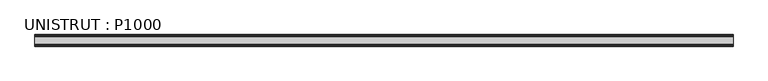
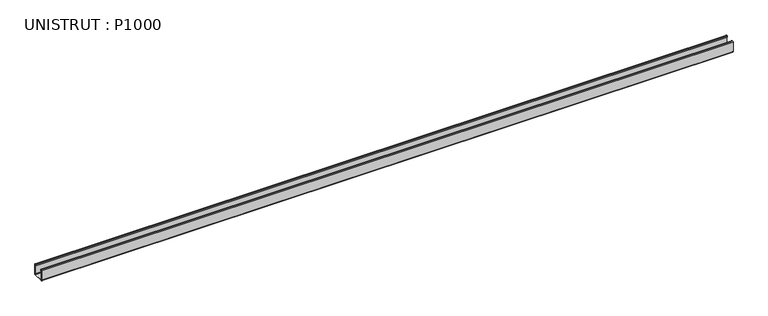
"""IFC4 building model written with IfcOpenShell, lengths in millimetres: beam geometry, UNISTRUT : P1000."""

from ifc_helpers import new_model, si_unit, point, frame, frame_2d, origin, place, context, project, spatial, polyline, circle_curve, trimmed, segment, composite_curve, outline, extrude, source, transform, mapped, element, save


def unistrut_p1000_de7f8c4b(model_context):
    return source(origin(), model_context, "Body", "SweptSolid", [
        extrude(outline(composite_curve([segment(polyline([(-20.6375, -17.4273239), (-20.6375, 18.6242894)]), True, "CONTINUOUS"), segment(trimmed(circle_curve(frame_2d((-18.6242894, 18.6242894)), 2.0132106), [point((-20.6375, 18.6242894))], [point((-18.6242894, 20.6375))], False, "CARTESIAN"), True, "CONTINUOUS"), segment(polyline([(-18.6242894, 20.6375), (-16.271875, 20.6375)]), True, "CONTINUOUS"), segment(trimmed(circle_curve(frame_2d((-16.271875, 18.653125)), 1.984375), [point((-16.271875, 20.6375))], [point((-14.2875, 18.653125))], False, "CARTESIAN"), True, "CONTINUOUS"), segment(polyline([(-14.2875, 18.653125), (-14.2875, 14.7193), (-15.1804687, 14.7193), (-15.1804687, 18.653125)]), True, "CONTINUOUS"), segment(trimmed(circle_curve(frame_2d((-16.271875, 18.653125)), 1.0914062), [point((-15.1804687, 18.653125))], [point((-16.271875, 19.7445312))], True, "CARTESIAN"), True, "CONTINUOUS"), segment(polyline([(-16.271875, 19.7445312), (-18.6242894, 19.7445312)]), True, "CONTINUOUS"), segment(trimmed(circle_curve(frame_2d((-18.6242894, 18.6242894)), 1.1202418), [point((-18.6242894, 19.7445312))], [point((-19.7445312, 18.6242894))], True, "CARTESIAN"), True, "CONTINUOUS"), segment(polyline([(-19.7445312, 18.6242894), (-19.7445312, -17.4273239)]), True, "CONTINUOUS"), segment(trimmed(circle_curve(frame_2d((-17.4273239, -17.4273239)), 2.3172074), [point((-19.7445312, -17.4273239))], [point((-17.4273239, -19.7445313))], True, "CARTESIAN"), True, "CONTINUOUS"), segment(polyline([(-17.4273239, -19.7445313), (17.4655346, -19.7445313)]), True, "CONTINUOUS"), segment(trimmed(circle_curve(frame_2d((17.4655346, -17.4655346)), 2.2789966), [point((17.4655346, -19.7445313))], [point((19.7445313, -17.4655346))], True, "CARTESIAN"), True, "CONTINUOUS"), segment(polyline([(19.7445313, -17.4655346), (19.7445313, 18.653125)]), True, "CONTINUOUS"), segment(trimmed(circle_curve(frame_2d((18.653125, 18.653125)), 1.0914063), [point((19.7445313, 18.653125))], [point((18.653125, 19.7445312))], True, "CARTESIAN"), True, "CONTINUOUS"), segment(polyline([(18.653125, 19.7445312), (16.2236081, 19.7445312)]), True, "CONTINUOUS"), segment(trimmed(circle_curve(frame_2d((16.2236081, 18.7013919)), 1.0431394), [point((16.2236081, 19.7445312))], [point((15.1804688, 18.7013919))], True, "CARTESIAN"), True, "CONTINUOUS"), segment(polyline([(15.1804688, 18.7013919), (15.1804688, 14.7193), (14.2875, 14.7193), (14.2875, 18.7013919)]), True, "CONTINUOUS"), segment(trimmed(circle_curve(frame_2d((16.2236081, 18.7013919)), 1.9361081), [point((14.2875, 18.7013919))], [point((16.2236081, 20.6375))], False, "CARTESIAN"), True, "CONTINUOUS"), segment(polyline([(16.2236081, 20.6375), (18.653125, 20.6375)]), True, "CONTINUOUS"), segment(trimmed(circle_curve(frame_2d((18.653125, 18.653125)), 1.984375), [point((18.653125, 20.6375))], [point((20.6375, 18.653125))], False, "CARTESIAN"), True, "CONTINUOUS"), segment(polyline([(20.6375, 18.653125), (20.6375, -17.4655346)]), True, "CONTINUOUS"), segment(trimmed(circle_curve(frame_2d((17.4655346, -17.4655346)), 3.1719654), [point((20.6375, -17.4655346))], [point((17.4655346, -20.6375))], False, "CARTESIAN"), True, "CONTINUOUS"), segment(polyline([(17.4655346, -20.6375), (-17.4273239, -20.6375)]), True, "CONTINUOUS"), segment(trimmed(circle_curve(frame_2d((-17.4273239, -17.4273239)), 3.2101761), [point((-17.4273239, -20.6375))], [point((-20.6375, -17.4273239))], False, "CARTESIAN"), True, "CONTINUOUS")], self_intersect=False)), frame((-1235.5812841, 0.0, 0.0), z_axis=(1.0, 0.0, 0.0), x_axis=(0.0, 1.0, 0.0)), (0.0, 0.0, 1.0), 2471.1625681),
    ])


if __name__ == "__main__":
    model = new_model("IFC4")
    model_context = context("Model", 3, world=origin())
    ifc_project = project(units=[si_unit("LENGTHUNIT", "METRE", prefix="MILLI")], contexts=[model_context])
    site = spatial("IfcSite", under=ifc_project)
    building = spatial("IfcBuilding", under=site)
    placement = place(None, origin())
    unistrut_p1000_shape = unistrut_p1000_de7f8c4b(model_context)
    element("IfcBeam", 1, ObjectType="UNISTRUT : P1000", at=placement, inside=building, context=model_context, shape_type="MappedRepresentation", body=[
        mapped(unistrut_p1000_shape, transform((0.0, 0.0, 0.0), x_axis=(1.0, 0.0, 0.0), y_axis=(0.0, 1.0, 0.0), z_axis=(0.0, 0.0, 1.0))),
    ])
    save(model, "model.ifc")
